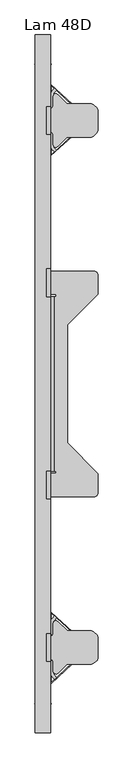
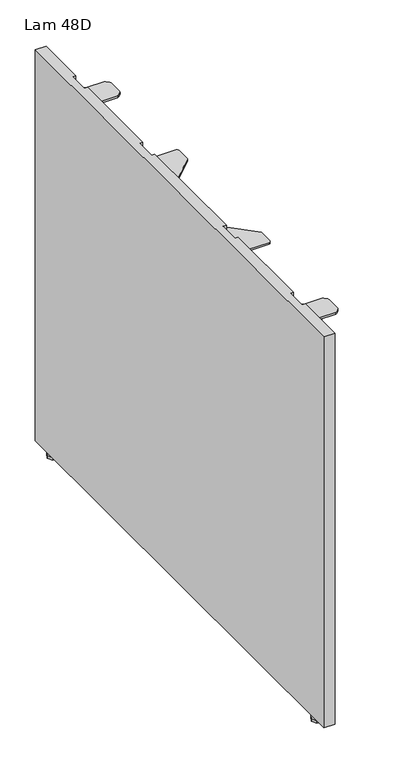
"""IFC4 building model written with IfcOpenShell, lengths in millimetres: furniture geometry, Lam 48D."""

from ifc_helpers import new_model, si_unit, frame, origin, origin_with_axes, place, context, project, spatial, polyline, outline, extrude, faceted_brep, source, transform, mapped, element, save


def lam_48d_b7284502(model_context):
    return source(origin(), model_context, "Body", "SolidModel", [
        extrude(outline(polyline([(23.2397112, 475.0989172), (30.9143313, 478.2778423), (32.2752471, 481.5633846), (32.2752471, 497.519996), (33.1178987, 500.2978515), (35.3618297, 502.1393906), (38.2506977, 502.4239209), (40.8107794, 501.0555269), (55.3107801, 486.5555308), (56.9328967, 485.4716671), (58.8463155, 485.0910671), (99.192145, 485.0910671), (102.5555934, 483.7906832), (108.8686983, 478.0512261), (110.5052445, 474.3516155), (110.5052445, 438.6513781), (109.0203151, 435.0954905), (102.586133, 428.7351775), (99.0710678, 427.2910614), (58.8463155, 427.2910614), (56.9328967, 426.9104705), (55.3107801, 425.8265977), (40.8107794, 411.3265925), (38.2506977, 409.9581986), (35.3618297, 410.2427379), (33.1178987, 412.0842861), (32.2752471, 414.8621325), (32.2752471, 431.5633842), (30.9143313, 434.8489265), (23.2397112, 438.0278515), (21.7752453, 441.5633915), (21.7752453, 471.5633772), (23.2397112, 475.0989172)])), frame((0.0, 0.0, 963.7400843), z_axis=(0.0, 0.0, 1.0), x_axis=(1.0, 0.0, 0.0)), (0.0, 0.0, 1.0), 4.7599566),
        extrude(outline(polyline([(35.1416528, 511.595592), (38.6374828, 508.3597632), (34.529445, 504.2517254), (33.4976062, 502.70747), (33.1352736, 500.885897), (33.1352736, 482.1169118), (33.7729913, 479.7369063), (35.5152723, 477.9946344), (58.3752733, 464.7964029), (61.8596263, 461.3183812), (63.1352752, 456.5633844), (61.8596263, 451.8083876), (58.395253, 448.3419022), (35.5152723, 435.1321525), (33.7729913, 433.3898715), (33.1352736, 431.0098569), (33.1352736, 412.2408718), (33.4976062, 410.4192896), (34.529445, 408.8750343), (38.4451152, 404.9593724), (34.9242679, 401.7485698), (31.1636166, 405.5092151), (29.099939, 408.5977257), (28.3752739, 412.2408718), (28.3752739, 430.9983206), (29.6507116, 435.7583135), (33.1352736, 439.2428755), (56.2397341, 452.5822502), (57.8301803, 454.2969348), (58.4071527, 456.5633844), (57.8301803, 458.829834), (56.2397341, 460.5445367), (33.1352736, 473.8838933), (29.6507116, 477.3684553), (28.3752739, 482.1284573), (28.3752739, 500.885897), (29.099939, 504.5290431), (31.1636166, 507.6175537), (35.1416528, 511.595592)])), frame((0.0, 0.0, 760.54006), z_axis=(0.0, 0.0, 1.0), x_axis=(1.0, 0.0, 0.0)), (0.0, 0.0, 1.0), 203.2000242),
        extrude(outline(polyline([(28.2052466, 517.3513073), (29.5091936, 517.8820798), (66.0452448, 484.0633864), (66.0452448, 429.0633914), (29.5091936, 395.7446948), (28.2052466, 396.2754763), (28.2052466, 408.6454698), (28.9926466, 408.6454698), (28.9926466, 396.3392855), (65.2578448, 429.4109804), (65.2578448, 483.7192826), (28.9926466, 517.2872676), (28.9926466, 504.9813047), (28.2052466, 504.9813047), (28.2052466, 517.3513073)])), frame((0.0, 0.0, 755.7400623), z_axis=(0.0, 0.0, 1.0), x_axis=(1.0, 0.0, 0.0)), (0.0, 0.0, 1.0), 208.0000219),
        extrude(outline(polyline([(23.6365862, -475.0989172), (22.1721203, -471.5633772), (22.1721203, -441.5633915), (23.6365862, -438.0278515), (31.3112063, -434.8489265), (32.6721221, -431.5633842), (32.6721221, -414.8621325), (33.5147737, -412.0842861), (35.7587047, -410.2427379), (38.6475727, -409.9581986), (41.2076544, -411.3265925), (55.7076551, -425.8265977), (57.3297717, -426.9104705), (59.2431905, -427.2910614), (99.4679428, -427.2910614), (102.983008, -428.7351775), (109.4171901, -435.0954905), (110.9021195, -438.6513781), (110.9021195, -474.3516155), (109.2655733, -478.0512261), (102.9524684, -483.7906832), (99.58902, -485.0910671), (59.2431905, -485.0910671), (57.3297717, -485.4716671), (55.7076551, -486.5555308), (41.2076544, -501.0555269), (38.6475727, -502.4239209), (35.7587047, -502.1393906), (33.5147737, -500.2978515), (32.6721221, -497.519996), (32.6721221, -481.5633846), (31.3112063, -478.2778423), (23.6365862, -475.0989172)])), frame((0.0, 0.0, 963.7400843), z_axis=(0.0, 0.0, 1.0), x_axis=(1.0, 0.0, 0.0)), (0.0, 0.0, 1.0), 4.7599566),
        extrude(outline(polyline([(35.5385278, -511.595592), (31.5604916, -507.6175537), (29.496814, -504.5290431), (28.7721489, -500.885897), (28.7721489, -482.1284573), (30.0475866, -477.3684553), (33.5321486, -473.8838933), (56.6366091, -460.5445367), (58.2270553, -458.829834), (58.8040277, -456.5633844), (58.2270553, -454.2969348), (56.6366091, -452.5822502), (33.5321486, -439.2428755), (30.0475866, -435.7583135), (28.7721489, -430.9983206), (28.7721489, -412.2408717), (29.496814, -408.5977257), (31.5604916, -405.5092151), (35.3211429, -401.7485698), (38.8419902, -404.9593724), (34.92632, -408.8750343), (33.8944812, -410.4192896), (33.5321486, -412.2408717), (33.5321486, -431.0098569), (34.1698663, -433.3898715), (35.9121473, -435.1321525), (58.792128, -448.3419022), (62.2565013, -451.8083876), (63.5321502, -456.5633844), (62.2565013, -461.3183812), (58.7721483, -464.7964029), (35.9121473, -477.9946344), (34.1698663, -479.7369063), (33.5321486, -482.1169118), (33.5321486, -500.885897), (33.8944812, -502.70747), (34.92632, -504.2517254), (39.0343578, -508.3597632), (35.5385278, -511.595592)])), frame((0.0, 0.0, 760.54006), z_axis=(0.0, 0.0, 1.0), x_axis=(1.0, 0.0, 0.0)), (0.0, 0.0, 1.0), 203.2000242),
        extrude(outline(polyline([(28.6021216, -517.3513073), (28.6021216, -504.9813047), (29.3895216, -504.9813047), (29.3895216, -517.2872676), (65.6547198, -483.7192826), (65.6547198, -429.4109804), (29.3895216, -396.3392855), (29.3895216, -408.6454698), (28.6021216, -408.6454698), (28.6021216, -396.2754763), (29.9060686, -395.7446948), (66.4421198, -429.0633914), (66.4421198, -484.0633864), (29.9060686, -517.8820798), (28.6021216, -517.3513073)])), frame((0.0, 0.0, 755.7400623), z_axis=(0.0, 0.0, 1.0), x_axis=(1.0, 0.0, 0.0)), (0.0, 0.0, 1.0), 208.0000219),
        extrude(outline(polyline([(34.035895, 150.9907019), (34.035895, -151.0092964), (28.4481861, -151.0092964), (28.4481861, 150.9907019), (34.035895, 150.9907019)])), frame((0.0, 0.0, 962.1209244), z_axis=(0.0, 0.0, 1.0), x_axis=(1.0, 0.0, 0.0)), (0.0, 0.0, 1.0), 28.5355402),
        extrude(outline(polyline([(22.254796, 194.9906961), (105.4547957, 194.9906961), (108.9903266, 193.5262324), (110.4547994, 189.9906924), (110.4547994, 155.1507042), (57.4547959, 102.1506962), (57.4547959, -102.1692997), (110.4547994, -155.1693077), (110.4547994, -190.0092959), (108.9903266, -193.5448359), (105.4547957, -195.0092996), (22.254796, -195.0092996), (22.254796, -155.0093066), (38.0047953, -155.0093066), (38.0047953, -151.0092964), (29.9092616, -151.0092964), (29.9092616, 150.9907019), (38.0047953, 150.9907019), (38.0047953, 154.9907031), (22.254796, 154.9907031), (22.254796, 194.9906961)])), frame((0.0, 0.0, 963.7189373), z_axis=(0.0, 0.0, 1.0), x_axis=(1.0, 0.0, 0.0)), (0.0, 0.0, 1.0), 4.7800135),
        faceted_brep([(28.4481861, 604.3802968, 1012.2661921), (1.778186, 604.3802968, 1012.2661921), (1.778186, -604.3802968, 1012.2661921), (28.4481861, -604.3802968, 1012.2661921), (28.4481861, -481.1637047, 1012.2661921), (20.7519853, -481.1637047, 1012.2661921), (20.7519853, -431.7352991, 1012.2661921), (28.4481861, -431.7352991, 1012.2661921), (28.4481861, -199.6305015, 1012.2661921), (20.7519853, -199.6305015, 1012.2661921), (20.7519853, -150.202096, 1012.2661921), (28.4481861, -150.202096, 1012.2661921), (28.4481861, 150.1834925, 1012.2661921), (20.7519853, 150.1834925, 1012.2661921), (20.7519853, 200.1265953, 1012.2661921), (28.4481861, 200.1265953, 1012.2661921), (28.4481861, 431.3776568, 1012.2661921), (20.7519853, 431.3776568, 1012.2661921), (20.7519853, 480.8060624, 1012.2661921), (28.4481861, 480.8060624, 1012.2661921), (28.4481861, 604.3802968, 13.081), (28.4481861, -604.3802968, 13.081), (1.778186, -604.3802968, 13.081), (1.778186, 604.3802968, 13.081), (28.4481861, 480.8060624, 972.0833977), (28.4481861, 431.3776568, 972.0833977), (28.4481861, 200.1265953, 972.0833977), (28.4481861, 150.1834925, 972.0833977), (28.4481861, -150.202096, 972.0833977), (28.4481861, -199.6305015, 972.0833977), (28.4481861, -431.7352991, 972.0833977), (28.4481861, -481.1637047, 972.0833977), (20.7519853, -431.7352991, 972.0833977), (20.7519853, -481.1637047, 972.0833977), (20.7519853, -150.202096, 972.0833977), (20.7519853, -199.6305015, 972.0833977), (20.7519853, 480.8060624, 972.0833977), (20.7519853, 431.3776568, 972.0833977), (20.7519853, 150.1834925, 972.0833977), (20.7519853, 200.1265953, 972.0833977)], [[[0, 1, 2, 3, 4, 5, 6, 7, 8, 9, 10, 11, 12, 13, 14, 15, 16, 17, 18, 19]], [[20, 21, 22, 23]], [[1, 0, 20, 23]], [[2, 1, 23, 22]], [[3, 2, 22, 21]], [[21, 20, 0, 19, 24, 25, 16, 15, 26, 27, 12, 11, 28, 29, 8, 7, 30, 31, 4, 3]], [[30, 32, 33, 31]], [[31, 33, 5, 4]], [[33, 32, 6, 5]], [[32, 30, 7, 6]], [[28, 34, 35, 29]], [[29, 35, 9, 8]], [[35, 34, 10, 9]], [[34, 28, 11, 10]], [[24, 36, 37, 25]], [[36, 24, 19, 18]], [[37, 36, 18, 17]], [[25, 37, 17, 16]], [[38, 27, 26, 39]], [[13, 38, 39, 14]], [[27, 38, 13, 12]], [[39, 26, 15, 14]]]),
        extrude(outline(polyline([(10.3506864, -553.6660243), (12.7319364, -549.5415758), (17.4944364, -549.5415758), (19.8756852, -553.6660243), (17.4944364, -557.7904682), (12.7319364, -557.7904682), (10.3506864, -553.6660243)])), origin_with_axes(), (0.0, 0.0, 1.0), 15.9766002),
        extrude(outline(polyline([(0.825686, -553.6660243), (7.175686, -540.9660228), (23.0506868, -540.9660228), (29.4006852, -553.6660243), (23.0506868, -566.3660213), (7.175686, -566.3660213), (0.825686, -553.6660243)])), origin_with_axes(), (0.0, 0.0, 1.0), 6.2484002),
        extrude(outline(polyline([(10.3506864, 553.6660243), (12.7319364, 557.7904682), (17.4944364, 557.7904682), (19.8756852, 553.6660243), (17.4944364, 549.5415758), (12.7319364, 549.5415758), (10.3506864, 553.6660243)])), origin_with_axes(), (0.0, 0.0, 1.0), 15.9766002),
        extrude(outline(polyline([(0.825686, 553.6660243), (7.175686, 566.3660213), (23.0506868, 566.3660213), (29.4006852, 553.6660243), (23.0506868, 540.9660228), (7.175686, 540.9660228), (0.825686, 553.6660243)])), origin_with_axes(), (0.0, 0.0, 1.0), 6.2484002),
    ])


if __name__ == "__main__":
    model = new_model("IFC4")
    model_context = context("Model", 3, world=origin())
    ifc_project = project(units=[si_unit("LENGTHUNIT", "METRE", prefix="MILLI")], contexts=[model_context])
    site = spatial("IfcSite", under=ifc_project)
    building = spatial("IfcBuilding", under=site)
    placement = place(None, origin())
    lam_48d_shape = lam_48d_b7284502(model_context)
    element("IfcFurniture", 1, ObjectType="Lam 48D", at=placement, inside=building, context=model_context, shape_type="MappedRepresentation", body=[
        mapped(lam_48d_shape, transform((0.0, 0.0, 0.0), x_axis=(1.0, 0.0, 0.0), y_axis=(0.0, 1.0, 0.0), z_axis=(0.0, 0.0, 1.0))),
    ])
    save(model, "model.ifc")
